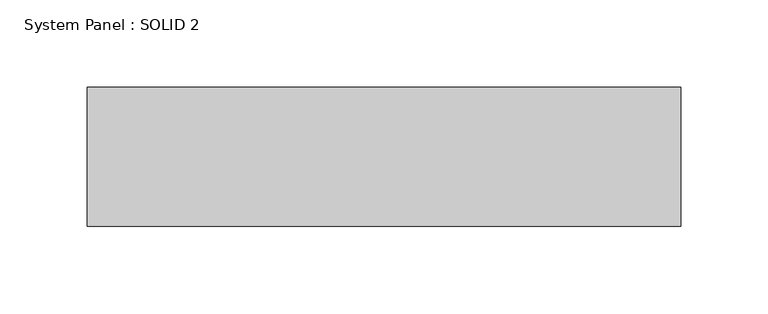
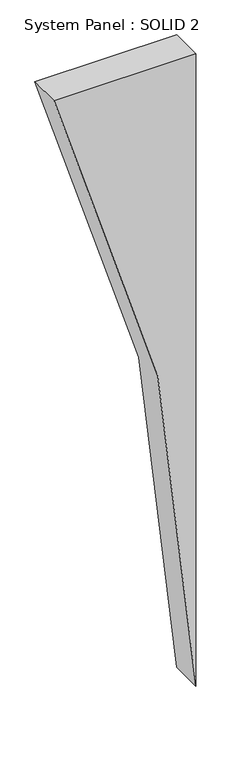
"""IFC4 building model written with IfcOpenShell, lengths in millimetres: plate geometry, System Panel : SOLID 2."""

from ifc_helpers import new_model, si_unit, point, frame, frame_2d, origin, place, context, project, spatial, polyline, circle_curve, trimmed, segment, composite_curve, outline, extrude, source, transform, mapped, element, save


def system_panel_solid_2_06461098(model_context):
    return source(origin(), model_context, "Body", "SweptSolid", [
        extrude(outline(composite_curve([segment(trimmed(circle_curve(frame_2d((-58.5211069, -4067.7859491)), 4238.8725831), [point((1609.0, -170.6826488))], [point((0.0, 170.6826488))], True, "CARTESIAN"), True, "CONTINUOUS"), segment(polyline([(0.0, 170.6826488), (1609.0, 170.6826488), (1609.0, -170.6826488)]), True, "CONTINUOUS")], self_intersect=False)), frame((0.0, 80.0, 0.0), z_axis=(0.0, 1.0, 0.0), x_axis=(0.0, 0.0, 1.0)), (0.0, 0.0, 1.0), 80.0),
    ])


if __name__ == "__main__":
    model = new_model("IFC4")
    model_context = context("Model", 3, world=origin())
    ifc_project = project(units=[si_unit("LENGTHUNIT", "METRE", prefix="MILLI")], contexts=[model_context])
    site = spatial("IfcSite", under=ifc_project)
    building = spatial("IfcBuilding", under=site)
    placement = place(None, origin())
    system_panel_solid_2_shape = system_panel_solid_2_06461098(model_context)
    element("IfcPlate", 1, ObjectType="System Panel : SOLID 2", at=placement, inside=building, context=model_context, shape_type="MappedRepresentation", body=[
        mapped(system_panel_solid_2_shape, transform((0.0, 0.0, 0.0), x_axis=(1.0, 0.0, 0.0), y_axis=(0.0, 1.0, 0.0), z_axis=(0.0, 0.0, 1.0))),
    ])
    save(model, "model.ifc")
